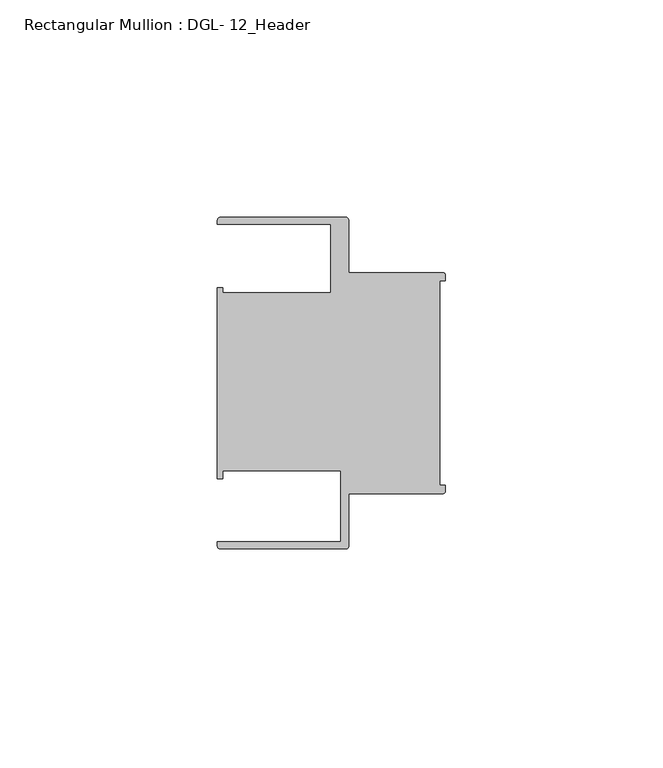
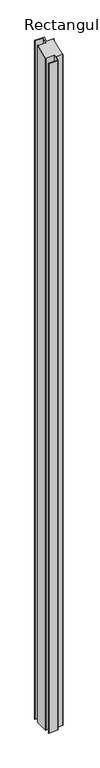
"""IFC4 building model written with IfcOpenShell, lengths in millimetres: member geometry, Rectangular Mullion : DGL- 12_Header."""

from ifc_helpers import new_model, si_unit, frame, origin, place, context, project, spatial, circle_curve, ellipse_curve, source, transform, mapped, element, save
from ifc_brep_helpers import plane_surface, cylinder_surface, advanced_brep


def rectangular_mullion_dgl_12_header_3238c463(model_context):
    return source(origin(), model_context, "Body", "AdvancedBrep", [
        advanced_brep(
        [(-0.5953125, -25.4, -2239.9660402), (-22.2332076, -25.4, -2239.9660402), (-22.2332076, -37.5043667, -2239.9660402), (-22.8285201, -38.0996792, -2239.9660402), (-51.7968699, -38.0996792, -2239.9660402), (-52.3921824, -37.5043667, -2239.9660402), (-52.3921824, -36.5123462, -2239.9660402), (-24.0747075, -36.5123462, -2239.9660402), (-24.0747075, -20.1823589, -2239.9660402), (-51.1280305, -20.1823589, -2239.9660402), (-51.1280305, -21.9710976, -2239.9660402), (-52.3948122, -21.9710976, -2239.9660402), (-52.3948122, 21.9710976, -2239.9660402), (-51.1280305, 21.9710976, -2239.9660402), (-51.1280305, 20.8257348, -2239.9660402), (-26.3720794, 20.8257348, -2239.9660402), (-26.3720794, 36.512516, -2239.9660402), (-52.3921824, 36.512516, -2239.9660402), (-52.3921824, 37.5047035, -2239.9660402), (-51.7968699, 38.100016, -2239.9660402), (-22.8285201, 38.100016, -2239.9660402), (-22.2332076, 37.5047035, -2239.9660402), (-22.2332076, 25.4, -2239.9660402), (-0.5953125, 25.4, -2239.9660402), (0.0, 24.8046875, -2239.9660402), (0.0, 23.4882401, -2239.9660402), (-1.30175, 23.4882401, -2239.9660402), (-1.30175, -23.4882401, -2239.9660402), (0.0, -23.4882401, -2239.9660402), (0.0, -24.8046875, -2239.9660402), (0.0, -24.8046875, -10.274438), (-0.5953125, -25.4, -10.5210245), (0.0, -23.4882401, -9.7291476), (-1.30175, -23.4882401, -9.7291476), (-1.30175, 23.4882401, 9.7291476), (0.0, 23.4882401, 9.7291476), (0.0, 24.8046875, 10.274438), (-0.5953125, 25.4, 10.5210245), (-22.2332076, 25.4, 10.5210245), (-22.2332076, 37.5047035, 15.5349568), (-22.8285201, 38.100016, 15.7815434), (-51.7968699, 38.100016, 15.7815434), (-52.3921824, 37.5047035, 15.5349568), (-52.3921824, 36.512516, 15.1239793), (-26.3720794, 36.512516, 15.1239793), (-26.3720794, 20.8257348, 8.6263018), (-51.1280305, 20.8257348, 8.6263018), (-51.1280305, 21.9710976, 9.1007266), (-52.3948122, 21.9710976, 9.1007266), (-52.3948122, -21.9710976, -9.1007266), (-51.1280305, -21.9710976, -9.1007266), (-51.1280305, -20.1823589, -8.3598068), (-24.0747075, -20.1823589, -8.3598068), (-24.0747075, -36.5123462, -15.123909), (-52.3921824, -36.5123462, -15.123909), (-52.3921824, -37.5043667, -15.5348173), (-51.7968699, -38.0996792, -15.7814038), (-22.8285201, -38.0996792, -15.7814038), (-22.2332076, -37.5043667, -15.5348173), (-22.2332076, -25.4, -10.5210245)],
        [
            (0, 1),
            (1, 2),
            (2, 3, circle_curve(frame((-22.8285201, -37.5043667, -2239.9660402), z_axis=(0.0, 0.0, -1.0), x_axis=(1.0, 0.0, 0.0)), 0.5953125)),
            (3, 4),
            (4, 5, circle_curve(frame((-51.7968699, -37.5043667, -2239.9660402), z_axis=(0.0, 0.0, -1.0), x_axis=(1.0, 0.0, 0.0)), 0.5953125)),
            (5, 6),
            (6, 7),
            (7, 8),
            (8, 9),
            (9, 10),
            (10, 11),
            (11, 12),
            (12, 13),
            (13, 14),
            (14, 15),
            (15, 16),
            (16, 17),
            (17, 18),
            (18, 19, circle_curve(frame((-51.7968699, 37.5047035, -2239.9660402), z_axis=(0.0, 0.0, -1.0), x_axis=(1.0, 0.0, 0.0)), 0.5953125)),
            (19, 20),
            (20, 21, circle_curve(frame((-22.8285201, 37.5047035, -2239.9660402), z_axis=(0.0, 0.0, -1.0), x_axis=(1.0, 0.0, 0.0)), 0.5953125)),
            (21, 22),
            (22, 23),
            (23, 24, circle_curve(frame((-0.5953125, 24.8046875, -2239.9660402), z_axis=(0.0, 0.0, -1.0), x_axis=(0.0, 1.0, 0.0)), 0.5953125)),
            (24, 25),
            (25, 26),
            (26, 27),
            (27, 28),
            (28, 29),
            (29, 0, circle_curve(frame((-0.5953125, -24.8046875, -2239.9660402), z_axis=(0.0, 0.0, -1.0), x_axis=(0.0, -1.0, 0.0)), 0.5953125)),
            (30, 31, ellipse_curve(frame((-0.5953125, -24.8046875, -10.274438), z_axis=(0.0, 0.3826834323650906, -0.9238795325112864), x_axis=(0.0, 0.9238795325112864, 0.38268343236509067)), 0.6443616, 0.5953125)),
            (31, 0),
            (29, 30),
            (32, 30),
            (28, 32),
            (33, 32),
            (27, 33),
            (34, 33),
            (26, 34),
            (35, 34),
            (25, 35),
            (36, 35),
            (24, 36),
            (37, 36, ellipse_curve(frame((-0.5953125, 24.8046875, 10.274438), z_axis=(0.0, 0.3826834323650906, -0.9238795325112864), x_axis=(0.0, 0.9238795325112864, 0.38268343236509067)), 0.6443616, 0.5953125)),
            (23, 37),
            (38, 37),
            (22, 38),
            (39, 38),
            (21, 39),
            (40, 39, ellipse_curve(frame((-22.8285201, 37.5047035, 15.5349568), z_axis=(0.0, 0.3826834323650906, -0.9238795325112864), x_axis=(0.0, 0.9238795325112864, 0.38268343236509067)), 0.6443616, 0.5953125)),
            (20, 40),
            (41, 40),
            (19, 41),
            (42, 41, ellipse_curve(frame((-51.7968699, 37.5047035, 15.5349568), z_axis=(0.0, 0.3826834323650906, -0.9238795325112864), x_axis=(0.0, 0.9238795325112864, 0.38268343236509067)), 0.6443616, 0.5953125)),
            (18, 42),
            (43, 42),
            (17, 43),
            (44, 43),
            (16, 44),
            (45, 44),
            (15, 45),
            (46, 45),
            (14, 46),
            (47, 46),
            (13, 47),
            (48, 47),
            (12, 48),
            (49, 48),
            (11, 49),
            (50, 49),
            (10, 50),
            (51, 50),
            (9, 51),
            (52, 51),
            (8, 52),
            (53, 52),
            (7, 53),
            (54, 53),
            (6, 54),
            (55, 54),
            (5, 55),
            (56, 55, ellipse_curve(frame((-51.7968699, -37.5043667, -15.5348173), z_axis=(0.0, 0.3826834323650906, -0.9238795325112864), x_axis=(0.0, 0.9238795325112864, 0.38268343236509067)), 0.6443616, 0.5953125)),
            (4, 56),
            (57, 56),
            (3, 57),
            (58, 57, ellipse_curve(frame((-22.8285201, -37.5043667, -15.5348173), z_axis=(0.0, 0.3826834323650906, -0.9238795325112864), x_axis=(0.0, 0.9238795325112864, 0.38268343236509067)), 0.6443616, 0.5953125)),
            (2, 58),
            (59, 58),
            (1, 59),
            (31, 59),
        ],
        [
            plane_surface(frame((0.0, -64.5372437, -2239.9660402), z_axis=(0.0, 0.0, -1.0), x_axis=(-1.0, 0.0, 0.0))),
            cylinder_surface(frame((-0.5953125, -24.8046875, 0.0), z_axis=(0.0, 0.0, 1.0), x_axis=(0.0, -1.0, 0.0)), 0.5953125),
            plane_surface(frame((0.0, -24.8046875, 0.0), z_axis=(1.0, 0.0, 0.0), x_axis=(0.0, 0.0, -1.0))),
            plane_surface(frame((0.0, -23.4882401, 0.0), z_axis=(0.0, 1.0, 0.0), x_axis=(0.0, 0.0, -1.0))),
            plane_surface(frame((-1.30175, -23.4882401, 0.0), z_axis=(1.0, 0.0, 0.0), x_axis=(0.0, 0.0, -1.0))),
            plane_surface(frame((-1.30175, 23.4882401, 0.0), z_axis=(0.0, -1.0, 0.0), x_axis=(0.0, 0.0, -1.0))),
            plane_surface(frame((0.0, 23.4882401, 0.0), z_axis=(1.0, 0.0, 0.0), x_axis=(0.0, 0.0, -1.0))),
            cylinder_surface(frame((-0.5953125, 24.8046875, 0.0), z_axis=(0.0, 0.0, 1.0), x_axis=(0.0, 1.0, 0.0)), 0.5953125),
            plane_surface(frame((-0.5953125, 25.4, 0.0), z_axis=(0.0, 1.0, 0.0), x_axis=(0.0, 0.0, -1.0))),
            plane_surface(frame((-22.2332076, 25.4, 0.0), z_axis=(1.0, 0.0, 0.0), x_axis=(0.0, 0.0, -1.0))),
            cylinder_surface(frame((-22.8285201, 37.5047035, 0.0), z_axis=(0.0, 0.0, 1.0), x_axis=(1.0, 0.0, 0.0)), 0.5953125),
            plane_surface(frame((-22.8285201, 38.100016, 0.0), z_axis=(0.0, 1.0, 0.0), x_axis=(0.0, 0.0, -1.0))),
            cylinder_surface(frame((-51.7968699, 37.5047035, 0.0), z_axis=(0.0, 0.0, 1.0), x_axis=(1.0, 0.0, 0.0)), 0.5953125),
            plane_surface(frame((-52.3921824, 37.5047035, 0.0), z_axis=(-1.0, 0.0, 0.0), x_axis=(0.0, 0.0, -1.0))),
            plane_surface(frame((-52.3921824, 36.512516, 0.0), z_axis=(0.0, -1.0, 0.0), x_axis=(0.0, 0.0, -1.0))),
            plane_surface(frame((-26.3720794, 36.512516, 0.0), z_axis=(-1.0, 0.0, 0.0), x_axis=(0.0, 0.0, -1.0))),
            plane_surface(frame((-26.3720794, 20.8257348, 0.0), z_axis=(0.0, 1.0, 0.0), x_axis=(0.0, 0.0, -1.0))),
            plane_surface(frame((-51.1280305, 20.8257348, 0.0), z_axis=(1.0, 0.0, 0.0), x_axis=(0.0, 0.0, -1.0))),
            plane_surface(frame((-51.1280305, 21.9710976, 0.0), z_axis=(0.0, 1.0, 0.0), x_axis=(0.0, 0.0, -1.0))),
            plane_surface(frame((-52.3948122, 21.9710976, 0.0), z_axis=(-1.0, 0.0, 0.0), x_axis=(0.0, 0.0, -1.0))),
            plane_surface(frame((-52.3948122, -21.9710976, 0.0), z_axis=(0.0, -1.0, 0.0), x_axis=(0.0, 0.0, -1.0))),
            plane_surface(frame((-51.1280305, -21.9710976, 0.0), z_axis=(1.0, 0.0, 0.0), x_axis=(0.0, 0.0, -1.0))),
            plane_surface(frame((-51.1280305, -20.1823589, 0.0), z_axis=(0.0, -1.0, 0.0), x_axis=(0.0, 0.0, -1.0))),
            plane_surface(frame((-24.0747075, -20.1823589, 0.0), z_axis=(-1.0, 0.0, 0.0), x_axis=(0.0, 0.0, -1.0))),
            plane_surface(frame((-24.0747075, -36.5123462, 0.0), z_axis=(0.0, 1.0, 0.0), x_axis=(0.0, 0.0, -1.0))),
            plane_surface(frame((-52.3921824, -36.5123462, 0.0), z_axis=(-1.0, 0.0, 0.0), x_axis=(0.0, 0.0, -1.0))),
            cylinder_surface(frame((-51.7968699, -37.5043667, 0.0), z_axis=(0.0, 0.0, 1.0), x_axis=(1.0, 0.0, 0.0)), 0.5953125),
            plane_surface(frame((-51.7968699, -38.0996792, 0.0), z_axis=(0.0, -1.0, 0.0), x_axis=(0.0, 0.0, -1.0))),
            cylinder_surface(frame((-22.8285201, -37.5043667, 0.0), z_axis=(0.0, 0.0, 1.0), x_axis=(1.0, 0.0, 0.0)), 0.5953125),
            plane_surface(frame((-22.2332076, -37.5043667, 0.0), z_axis=(1.0, 0.0, 0.0), x_axis=(0.0, 0.0, -1.0))),
            plane_surface(frame((-22.2332076, -25.4, 0.0), z_axis=(0.0, -1.0, 0.0), x_axis=(0.0, 0.0, -1.0))),
            plane_surface(frame((304.8, 0.0, 0.0), z_axis=(0.0, -0.3826834323650906, 0.9238795325112864), x_axis=(0.0, -0.9238795325112864, -0.3826834323650906))),
        ],
        [
            (0, [[1, 2, 3, 4, 5, 6, 7, 8, 9, 10, 11, 12, 13, 14, 15, 16, 17, 18, 19, 20, 21, 22, 23, 24, 25, 26, 27, 28, 29, 30]]),
            (1, [[31, 32, -30, 33]]),
            (2, [[34, -33, -29, 35]]),
            (3, [[36, -35, -28, 37]]),
            (4, [[38, -37, -27, 39]]),
            (5, [[40, -39, -26, 41]]),
            (6, [[42, -41, -25, 43]]),
            (7, [[44, -43, -24, 45]]),
            (8, [[46, -45, -23, 47]]),
            (9, [[48, -47, -22, 49]]),
            (10, [[50, -49, -21, 51]]),
            (11, [[52, -51, -20, 53]]),
            (12, [[54, -53, -19, 55]]),
            (13, [[56, -55, -18, 57]]),
            (14, [[58, -57, -17, 59]]),
            (15, [[60, -59, -16, 61]]),
            (16, [[62, -61, -15, 63]]),
            (17, [[64, -63, -14, 65]]),
            (18, [[66, -65, -13, 67]]),
            (19, [[68, -67, -12, 69]]),
            (20, [[70, -69, -11, 71]]),
            (21, [[72, -71, -10, 73]]),
            (22, [[74, -73, -9, 75]]),
            (23, [[76, -75, -8, 77]]),
            (24, [[78, -77, -7, 79]]),
            (25, [[80, -79, -6, 81]]),
            (26, [[82, -81, -5, 83]]),
            (27, [[84, -83, -4, 85]]),
            (28, [[86, -85, -3, 87]]),
            (29, [[88, -87, -2, 89]]),
            (30, [[90, -89, -1, -32]]),
            (31, [[-31, -34, -36, -38, -40, -42, -44, -46, -48, -50, -52, -54, -56, -58, -60, -62, -64, -66, -68, -70, -72, -74, -76, -78, -80, -82, -84, -86, -88, -90]]),
        ],
    ),
    ])


if __name__ == "__main__":
    model = new_model("IFC4")
    model_context = context("Model", 3, world=origin())
    ifc_project = project(units=[si_unit("LENGTHUNIT", "METRE", prefix="MILLI")], contexts=[model_context])
    site = spatial("IfcSite", under=ifc_project)
    building = spatial("IfcBuilding", under=site)
    placement = place(None, origin())
    rectangular_mullion_dgl_12_header_shape = rectangular_mullion_dgl_12_header_3238c463(model_context)
    element("IfcMember", 1, ObjectType="Rectangular Mullion : DGL- 12_Header", at=placement, inside=building, context=model_context, shape_type="MappedRepresentation", body=[
        mapped(rectangular_mullion_dgl_12_header_shape, transform((0.0, 0.0, 0.0), x_axis=(1.0, 0.0, 0.0), y_axis=(0.0, 1.0, 0.0), z_axis=(0.0, 0.0, 1.0))),
    ])
    save(model, "model.ifc")
